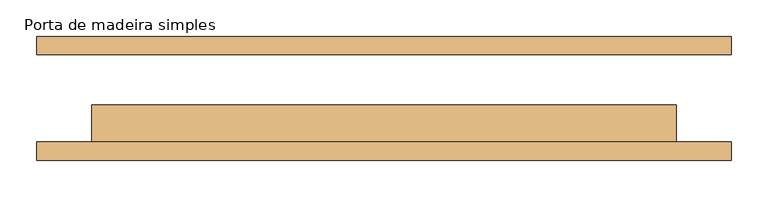
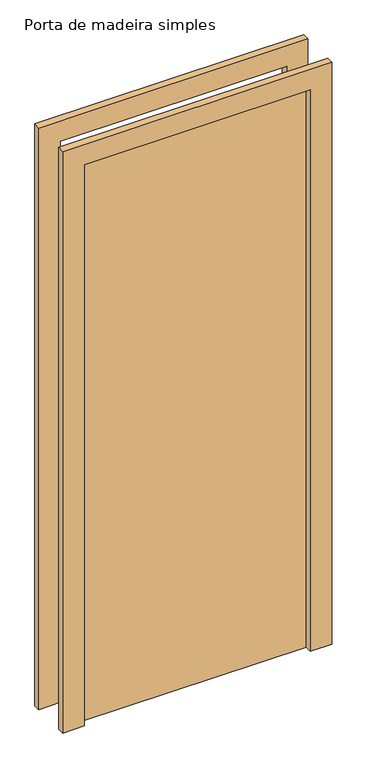
"""IFC4 building model written with IfcOpenShell, lengths in millimetres: door geometry, Porta de madeira simples."""

from ifc_helpers import new_model, si_unit, frame, origin, origin_with_axes, place, context, project, spatial, polyline, outline, extrude, source, transform, mapped, element, save


def porta_de_madeira_simples_1c2f6ab2(model_context):
    return source(origin(), model_context, "Body", "SweptSolid", [
        extrude(outline(polyline([(2176.0, -476.0), (0.0, -476.0), (0.0, -400.0), (2100.0, -400.0), (2100.0, 400.0), (0.0, 400.0), (0.0, 476.0), (2176.0, 476.0), (2176.0, -476.0)])), frame((0.0, -85.0, 0.0), z_axis=(0.0, 1.0, 0.0), x_axis=(0.0, 0.0, 1.0)), (0.0, 0.0, 1.0), 25.0),
        extrude(outline(polyline([(2176.0, 476.0), (2176.0, -476.0), (0.0, -476.0), (0.0, -400.0), (2100.0, -400.0), (2100.0, 400.0), (0.0, 400.0), (0.0, 476.0), (2176.0, 476.0)])), frame((0.0, 60.0, 0.0), z_axis=(0.0, 1.0, 0.0), x_axis=(0.0, 0.0, 1.0)), (0.0, 0.0, 1.0), 25.0),
        extrude(outline(polyline([(400.0, -9.0), (400.0, -60.0), (-400.0, -60.0), (-400.0, -9.0), (400.0, -9.0)])), origin_with_axes(), (0.0, 0.0, 1.0), 2100.0),
    ])


if __name__ == "__main__":
    model = new_model("IFC4")
    model_context = context("Model", 3, world=origin())
    ifc_project = project(units=[si_unit("LENGTHUNIT", "METRE", prefix="MILLI")], contexts=[model_context])
    site = spatial("IfcSite", under=ifc_project)
    building = spatial("IfcBuilding", under=site)
    placement = place(None, origin())
    porta_de_madeira_simples_shape = porta_de_madeira_simples_1c2f6ab2(model_context)
    element("IfcDoor", 1, ObjectType="Porta de madeira simples", at=placement, inside=building, context=model_context, shape_type="MappedRepresentation", body=[
        mapped(porta_de_madeira_simples_shape, transform((0.0, 0.0, 0.0), x_axis=(1.0, 0.0, 0.0), y_axis=(0.0, 1.0, 0.0), z_axis=(0.0, 0.0, 1.0))),
    ])
    save(model, "model.ifc")
